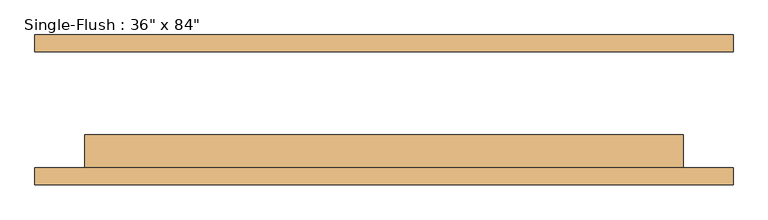
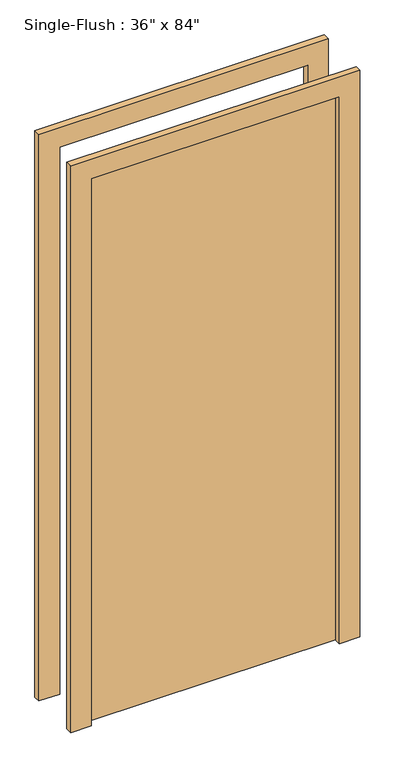
"""IFC4 building model written with IfcOpenShell, lengths in millimetres: door geometry."""

from ifc_helpers import new_model, si_unit, frame, origin, origin_with_axes, place, context, project, spatial, polyline, outline, extrude, source, transform, mapped, element, save


def door_dcb3ee61(model_context):
    return source(origin(), model_context, "Body", "SweptSolid", [
        extrude(outline(polyline([(2209.8, -533.4), (0.0, -533.4), (0.0, -457.2), (2133.6, -457.2), (2133.6, 457.2), (0.0, 457.2), (0.0, 533.4), (2209.8, 533.4), (2209.8, -533.4)])), frame((0.0, -114.3, 0.0), z_axis=(0.0, 1.0, 0.0), x_axis=(0.0, 0.0, 1.0)), (0.0, 0.0, 1.0), 25.4),
        extrude(outline(polyline([(2209.8, 533.4), (2209.8, -533.4), (0.0, -533.4), (0.0, -457.2), (2133.6, -457.2), (2133.6, 457.2), (0.0, 457.2), (0.0, 533.4), (2209.8, 533.4)])), frame((0.0, 88.9, 0.0), z_axis=(0.0, 1.0, 0.0), x_axis=(0.0, 0.0, 1.0)), (0.0, 0.0, 1.0), 25.4),
        extrude(outline(polyline([(457.2, -38.1), (457.2, -88.9), (-457.2, -88.9), (-457.2, -38.1), (457.2, -38.1)])), origin_with_axes(), (0.0, 0.0, 1.0), 2133.6),
    ])


if __name__ == "__main__":
    model = new_model("IFC4")
    model_context = context("Model", 3, world=origin())
    ifc_project = project(units=[si_unit("LENGTHUNIT", "METRE", prefix="MILLI")], contexts=[model_context])
    site = spatial("IfcSite", under=ifc_project)
    building = spatial("IfcBuilding", under=site)
    placement = place(None, origin())
    door_shape = door_dcb3ee61(model_context)
    element("IfcDoor", 1, ObjectType="Single-Flush : 36\" x 84\"", at=placement, inside=building, context=model_context, shape_type="MappedRepresentation", body=[
        mapped(door_shape, transform((0.0, 0.0, 0.0), x_axis=(1.0, 0.0, 0.0), y_axis=(0.0, 1.0, 0.0), z_axis=(0.0, 0.0, 1.0))),
    ])
    save(model, "model.ifc")
